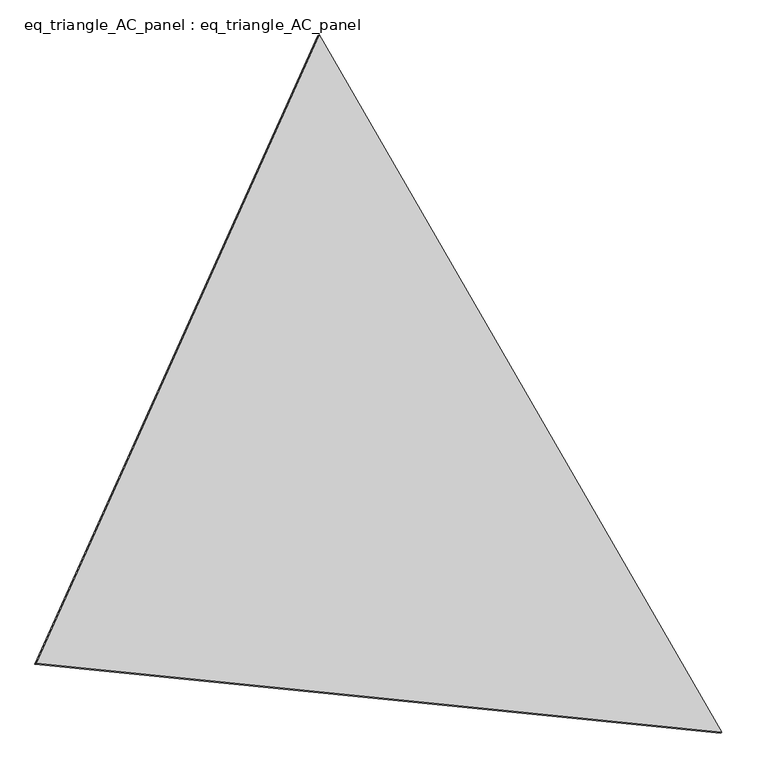
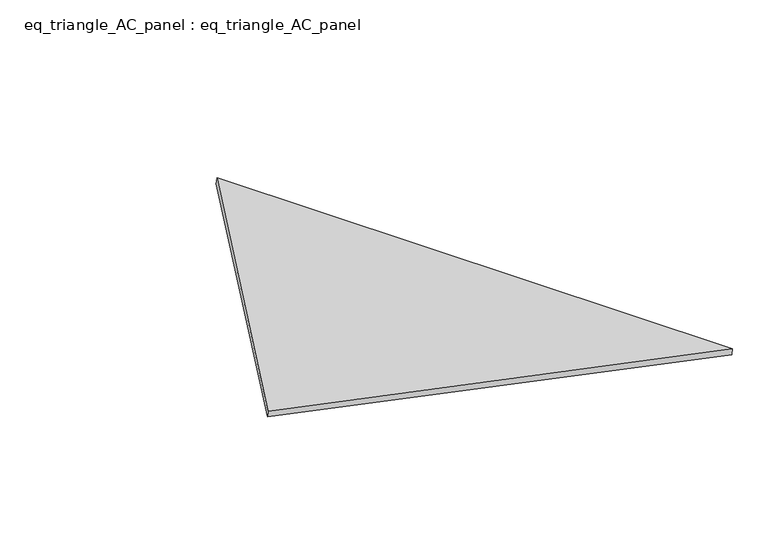
"""IFC4 building model written with IfcOpenShell, lengths in millimetres: proxy geometry, eq_triangle_AC_panel : eq_triangle_AC_panel."""

from ifc_helpers import new_model, si_unit, frame, origin, place, context, project, spatial, polyline, outline, extrude, source, transform, mapped, element, save


def eq_triangle_ac_panel_eq_triangle_ac_panel_c70fc1f2(model_context):
    return source(origin(), model_context, "Body", "SweptSolid", [
        extrude(outline(polyline([(-2017.7410617, 947.6284382), (2017.7410616, 947.6284382), (-1e-07, -1895.2568765), (-2017.7410617, 947.6284382)])), frame((-6.3631761, 524.2531996, 46.6143561), z_axis=(0.14526328518058218, 0.08386570281802203, 0.9858321976225896), x_axis=(0.5000027697416755, -0.8660238046641509, -2.3836681082203684e-06)), (0.0, 0.0, 1.0), 43.8306294),
    ])


if __name__ == "__main__":
    model = new_model("IFC4")
    model_context = context("Model", 3, world=origin())
    ifc_project = project(units=[si_unit("LENGTHUNIT", "METRE", prefix="MILLI")], contexts=[model_context])
    site = spatial("IfcSite", under=ifc_project)
    building = spatial("IfcBuilding", under=site)
    placement = place(None, origin())
    eq_triangle_ac_panel_eq_triangle_ac_panel_shape = eq_triangle_ac_panel_eq_triangle_ac_panel_c70fc1f2(model_context)
    element("IfcBuildingElementProxy", 1, Name="eq_triangle_AC_panel : eq_triangle_AC_panel", ObjectType="eq_triangle_AC_panel : eq_triangle_AC_panel", at=placement, inside=building, context=model_context, shape_type="MappedRepresentation", body=[
        mapped(eq_triangle_ac_panel_eq_triangle_ac_panel_shape, transform((0.0, 0.0, 0.0), x_axis=(1.0, 0.0, 0.0), y_axis=(0.0, 1.0, 0.0), z_axis=(0.0, 0.0, 1.0))),
    ])
    save(model, "model.ifc")
